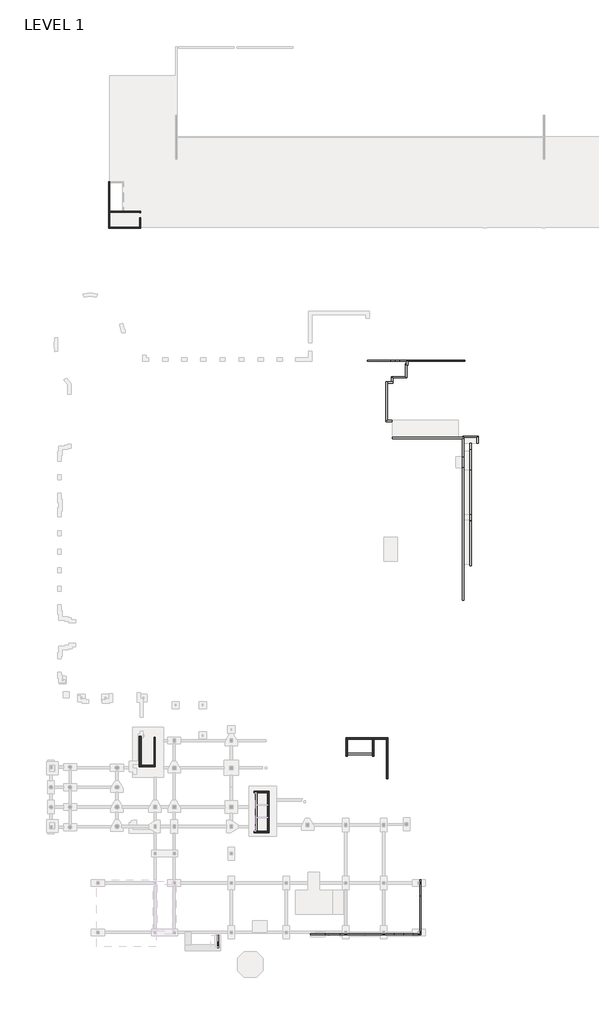
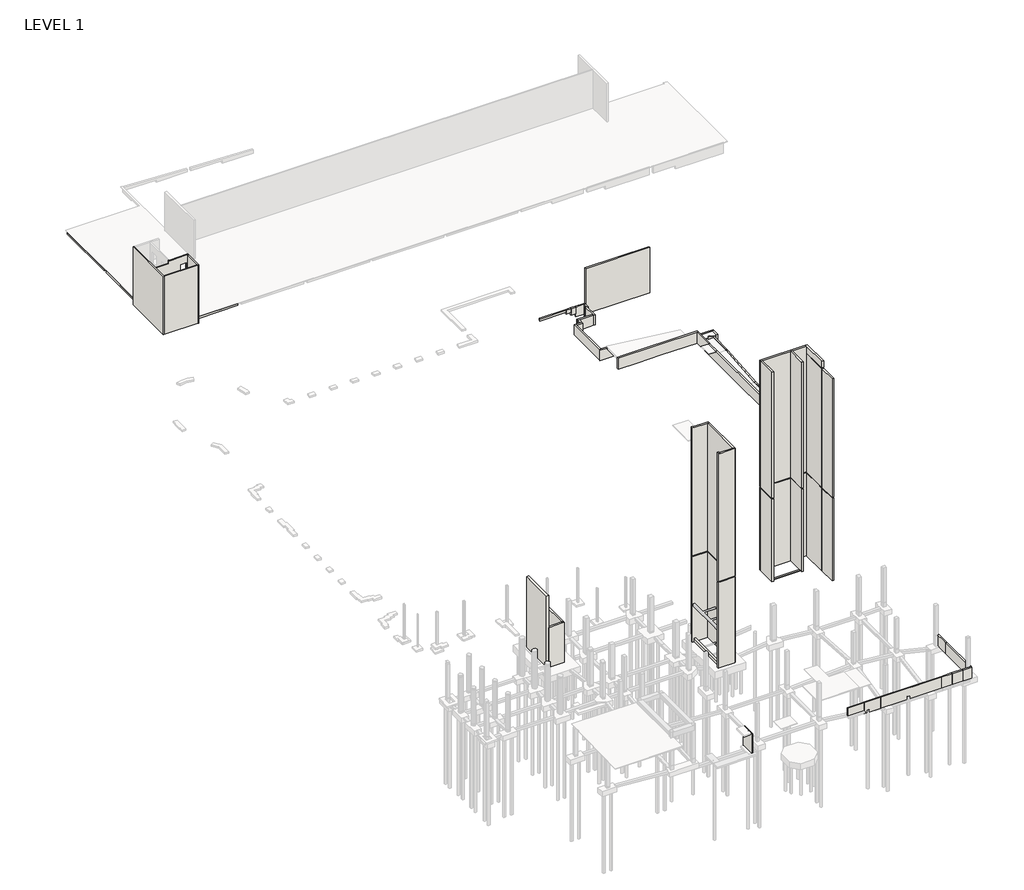
# One storey, part 1 of 20: 50 walls.
"""IFC4 building model written with IfcOpenShell, lengths in millimetres."""

from ifc_helpers import new_model, si_unit, frame, origin, place, context, project, spatial, polyline, outline, extrude, faceted_brep, element, save

model = new_model("IFC4")

# Units and contexts
model_context = context("Model", 3, world=origin())
ifc_project = project(units=[si_unit("LENGTHUNIT", "METRE", prefix="MILLI")], contexts=[model_context])

# Site, building, storey
site = spatial("IfcSite", under=ifc_project)
building = spatial("IfcBuilding", under=site)
storey = spatial("IfcBuildingStorey", under=building, Name="LEVEL 1", Elevation=0.0)

# Walls
placement = place(None, origin())
element("IfcWall", 1, ObjectType="10\" Concrete", at=placement, inside=storey, context=model_context, shape_type="SweptSolid", body=[
    extrude(outline(polyline([(57846.9940054, 63154.9642851), (53007.1389942, 63154.9642851), (53007.1389942, 63408.9642851), (57846.9940054, 63408.9642851), (57846.9940054, 63154.9642851)])), frame((0.0, 0.0, -609.6), z_axis=(0.0, 0.0, 1.0), x_axis=(1.0, 0.0, 0.0)), (0.0, 0.0, 1.0), 406.4),
])
element("IfcWall", 2, ObjectType="10\" Concrete", at=placement, inside=storey, context=model_context, shape_type="Brep", body=[
    faceted_brep([(61448.8079949, 63154.9642851, -2133.6), (73292.2139942, 63154.9642851, -2133.6), (73292.2139942, 63154.9642851, 6705.6), (61448.8079949, 63154.9642851, 6705.6), (61448.8079949, 63154.9642851, -203.2), (61448.8079949, 63408.9642851, -2133.6), (61448.8079949, 63408.9642851, -203.2), (61448.8079949, 63408.9642851, 6705.6), (73292.2139942, 63408.9642851, 6705.6), (73292.2139942, 63408.9642851, -2133.6)], [[[0, 1, 2, 3, 4]], [[5, 6, 7, 8, 9]], [[1, 0, 5, 9]], [[2, 1, 9, 8]], [[3, 2, 8, 7]], [[0, 4, 3, 7, 6, 5]]]),
])
element("IfcWall", 3, ObjectType="10\" Concrete", at=placement, inside=storey, context=model_context, shape_type="Brep", body=[
    faceted_brep([(59674.6389942, 63154.9642851, -2133.6), (61131.2030825, 63154.9642851, -2133.6), (61436.0030825, 63154.9642851, -2133.6), (61448.8079949, 63154.9642851, -2133.6), (61448.8079949, 63154.9642851, -203.2), (61436.0030825, 63154.9642851, -203.2), (61131.2030825, 63154.9642851, -203.2), (59674.6389942, 63154.9642851, -203.2), (59674.6389942, 63154.9642851, -1524.0), (59674.6389942, 63408.9642851, -2133.6), (59674.6389942, 63408.9642851, -1524.0), (59674.6389942, 63408.9642851, -203.2), (61448.8079949, 63408.9642851, -203.2), (61448.8079949, 63408.9642851, -2133.6)], [[[0, 1, 2, 3, 4, 5, 6, 7, 8]], [[9, 10, 11, 12, 13]], [[3, 2, 1, 0, 9, 13]], [[4, 3, 13, 12]], [[7, 6, 5, 4, 12, 11]], [[0, 8, 7, 11, 10, 9]]]),
])
element("IfcWall", 4, ObjectType="10\" Concrete", at=placement, inside=storey, context=model_context, shape_type="Brep", body=[
    faceted_brep([(58760.2389942, 63154.9642851, -1524.0), (59674.6389942, 63154.9642851, -1524.0), (59674.6389942, 63154.9642851, -203.2), (58760.2389942, 63154.9642851, -203.2), (58760.2389942, 63154.9642851, -914.4), (58760.2389942, 63408.9642851, -1524.0), (58760.2389942, 63408.9642851, -914.4), (58760.2389942, 63408.9642851, -203.2), (59674.6389942, 63408.9642851, -203.2), (59674.6389942, 63408.9642851, -1524.0)], [[[0, 1, 2, 3, 4]], [[5, 6, 7, 8, 9]], [[1, 0, 5, 9]], [[2, 1, 9, 8]], [[3, 2, 8, 7]], [[0, 4, 3, 7, 6, 5]]]),
])
element("IfcWall", 5, ObjectType="10\" Concrete", at=placement, inside=storey, context=model_context, shape_type="Brep", body=[
    faceted_brep([(57846.9940054, 63154.9642851, -914.4), (58760.2389942, 63154.9642851, -914.4), (58760.2389942, 63154.9642851, -203.2), (57846.9940054, 63154.9642851, -203.2), (57846.9940054, 63154.9642851, -609.6), (57846.9940054, 63408.9642851, -914.4), (57846.9940054, 63408.9642851, -609.6), (57846.9940054, 63408.9642851, -203.2), (58760.2389942, 63408.9642851, -203.2), (58760.2389942, 63408.9642851, -914.4)], [[[0, 1, 2, 3, 4]], [[5, 6, 7, 8, 9]], [[1, 0, 5, 9]], [[2, 1, 9, 8]], [[3, 2, 8, 7]], [[0, 4, 3, 7, 6, 5]]]),
])
element("IfcWall", 6, ObjectType="10\" Concrete", at=placement, inside=storey, context=model_context, shape_type="SweptSolid", body=[
    extrude(outline(polyline([(20696.5871043, -1828.8), (20696.5871043, -1549.1506484), (29942.1871043, -778.6839817), (29942.1871043, -1828.8), (20696.5871043, -1828.8)])), frame((74355.8389942, 0.0, 0.0), z_axis=(1.0, 0.0, 0.0), x_axis=(0.0, 1.0, 0.0)), (0.0, 0.0, 1.0), 254.0),
])
element("IfcWall", 7, ObjectType="10\" Concrete", at=placement, inside=storey, context=model_context, shape_type="SweptSolid", body=[
    extrude(outline(polyline([(29942.1871043, -1828.8), (29942.1871043, -778.6839817), (30142.394885, -762.0), (31364.5871043, -762.0), (31364.5871043, -1828.8), (29942.1871043, -1828.8)])), frame((74355.8389942, 0.0, 0.0), z_axis=(1.0, 0.0, 0.0), x_axis=(0.0, 1.0, 0.0)), (0.0, 0.0, 1.0), 254.0),
])
element("IfcWall", 8, ObjectType="10\" Concrete", at=placement, inside=storey, context=model_context, shape_type="Brep", body=[
    faceted_brep([(74609.8389942, 31364.5871043, -1828.8), (74609.8389942, 40508.5871043, -1828.8), (74609.8389942, 40508.5871043, 0.0), (74609.8389942, 40508.5871043, 0.2493516), (74609.8389942, 31364.5871043, -761.7506484), (74609.8389942, 31364.5871043, -762.0), (74355.8389942, 31364.5871043, -1828.8), (74355.8389942, 31364.5871043, -762.0), (74355.8389942, 31364.5871043, -761.7506484), (74355.8389942, 40508.5871043, 0.2493516), (74355.8389942, 40508.5871043, 0.0), (74355.8389942, 40508.5871043, -1828.8)], [[[0, 1, 2, 3, 4, 5]], [[6, 7, 8, 9, 10, 11]], [[1, 0, 6, 11]], [[3, 2, 1, 11, 10, 9]], [[4, 3, 9, 8]], [[0, 5, 4, 8, 7, 6]]]),
])
element("IfcWall", 9, ObjectType="10\" Concrete", at=placement, inside=storey, context=model_context, shape_type="Brep", body=[
    faceted_brep([(72889.1082498, 47365.7078896, -2133.6), (75829.0389942, 47365.7078896, -2133.6), (76083.0389942, 47365.7078896, -2133.6), (76083.0389942, 47365.7078896, -914.4), (75829.0389942, 47365.7078896, -914.4), (72889.1082498, 47365.7078896, -914.4), (72889.1082498, 47619.7078896, -2133.6), (72889.1082498, 47619.7078896, -914.4), (76083.0389942, 47619.7078896, -914.4), (76083.0389942, 47619.7078896, -2133.6)], [[[0, 1, 2, 3, 4, 5]], [[6, 7, 8, 9]], [[2, 1, 0, 6, 9]], [[5, 4, 3, 8, 7]], [[0, 5, 7, 6]], [[3, 2, 9, 8]]]),
])
element("IfcWall", 10, ObjectType="10\" Concrete", at=placement, inside=storey, context=model_context, shape_type="SweptSolid", body=[
    extrude(outline(polyline([(75829.0389942, 46146.5078896), (75829.0389942, 47365.7078896), (76083.0389942, 47365.7078896), (76083.0389942, 46146.5078896), (75829.0389942, 46146.5078896)])), frame((0.0, 0.0, -2133.6), z_axis=(0.0, 0.0, 1.0), x_axis=(1.0, 0.0, 0.0)), (0.0, 0.0, 1.0), 1219.2),
])
element("IfcWall", 11, ObjectType="10\" Concrete", at=placement, inside=storey, context=model_context, shape_type="Brep", body=[
    faceted_brep([(74609.8389942, 40508.5871043, -2133.6), (74609.8389942, 46146.5078896, -2133.6), (74609.8389942, 46146.5078896, -762.0), (74609.8389942, 44749.5078896, 0.0), (74609.8389942, 40508.5871043, 0.0), (74609.8389942, 40508.5871043, -1828.8), (74355.8389942, 40508.5871043, -2133.6), (74355.8389942, 40508.5871043, -1828.8), (74355.8389942, 40508.5871043, 0.0), (74355.8389942, 44749.5078896, 0.0), (74355.8389942, 46146.5078896, -762.0), (74355.8389942, 46146.5078896, -2133.6)], [[[0, 1, 2, 3, 4, 5]], [[6, 7, 8, 9, 10, 11]], [[1, 0, 6, 11]], [[2, 1, 11, 10]], [[4, 3, 9, 8]], [[0, 5, 4, 8, 7, 6]], [[3, 2, 10, 9]]]),
])
element("IfcWall", 12, ObjectType="12\" CMU", at=placement, inside=storey, context=model_context, shape_type="SweptSolid", body=[
    extrude(outline(polyline([(48846.3014942, -18286.9607149), (54078.7014942, -18286.9607149), (54078.7014942, -18582.2357149), (48846.3014942, -18582.2357149), (48846.3014942, -18286.9607149)])), frame((0.0, 0.0, -304.8), z_axis=(0.0, 0.0, 1.0), x_axis=(1.0, 0.0, 0.0)), (0.0, 0.0, 1.0), 101.6),
])
element("IfcWall", 13, ObjectType="12\" CMU", at=placement, inside=storey, context=model_context, shape_type="SweptSolid", body=[
    extrude(outline(polyline([(30058.2389942, -26472.1107149), (30058.2389942, -34485.8107149), (29762.9639942, -34485.8107149), (29762.9639942, -26472.1107149), (30058.2389942, -26472.1107149)])), frame((0.0, 0.0, -914.4), z_axis=(0.0, 0.0, 1.0), x_axis=(1.0, 0.0, 0.0)), (0.0, 0.0, 1.0), 711.2),
])
element("IfcWall", 14, ObjectType="12\" Concrete", at=placement, inside=storey, context=model_context, shape_type="SweptSolid", body=[
    extrude(outline(polyline([(57329.9014942, -20302.1378382), (57329.9014942, -23538.4107149), (57025.1014942, -23538.4107149), (57025.1014942, -20302.1378382), (57329.9014942, -20302.1378382)])), frame((0.0, 0.0, -304.8), z_axis=(0.0, 0.0, 1.0), x_axis=(1.0, 0.0, 0.0)), (0.0, 0.0, 1.0), 16179.8),
    extrude(outline(polyline([(57329.9014942, -20302.1378382), (57329.9014942, -23538.4107149), (57025.1014942, -23538.4107149), (57025.1014942, -20302.1378382), (57329.9014942, -20302.1378382)])), frame((0.0, 0.0, 16052.8), z_axis=(0.0, 0.0, 1.0), x_axis=(1.0, 0.0, 0.0)), (0.0, 0.0, 1.0), 23190.2),
])
element("IfcWall", 15, ObjectType="12\" Concrete", at=placement, inside=storey, context=model_context, shape_type="Brep", body=[
    faceted_brep([(57025.1014942, -15029.4107149, -304.8), (48541.5014942, -15029.4107149, -304.8), (48541.5014942, -15029.4107149, 15875.0), (57025.1014942, -15029.4107149, 15875.0), (54632.1436817, -15029.4107149, 14909.8), (55637.0958142, -15029.4107149, 14909.8), (55637.0958142, -15029.4107149, 15468.6), (54632.1436817, -15029.4107149, 15468.6), (54632.1436817, -15029.4107149, 12065.0), (55637.0958142, -15029.4107149, 12065.0), (55637.0958142, -15029.4107149, 12623.8), (54632.1436817, -15029.4107149, 12623.8), (55637.0958142, -15029.4107149, 9220.2), (55637.0958142, -15029.4107149, 9779.0), (54632.1436817, -15029.4107149, 9779.0), (54632.1436817, -15029.4107149, 9220.2), (48541.5014942, -15334.2107149, -304.8), (48846.3014942, -15334.2107149, -304.8), (54078.7014942, -15334.2107149, -304.8), (54383.5014942, -15334.2107149, -304.8), (57025.1014942, -15334.2107149, -304.8), (57025.1014942, -15334.2107149, 15875.0), (54933.1413578, -15334.2107149, 15875.0), (54078.7014942, -15334.2107149, 15875.0), (48846.3014942, -15334.2107149, 15875.0), (48541.5014942, -15334.2107149, 15875.0), (55637.0958142, -15334.2107149, 14909.8), (54632.1436817, -15334.2107149, 14909.8), (54632.1436817, -15334.2107149, 15468.6), (55637.0958142, -15334.2107149, 15468.6), (55637.0958142, -15334.2107149, 12065.0), (54632.1436817, -15334.2107149, 12065.0), (54632.1436817, -15334.2107149, 12623.8), (55637.0958142, -15334.2107149, 12623.8), (55637.0958142, -15334.2107149, 9779.0), (55637.0958142, -15334.2107149, 9220.2), (54632.1436817, -15334.2107149, 9220.2), (54632.1436817, -15334.2107149, 9779.0), (48541.5014942, -15054.8107149, 15875.0)], [[[0, 1, 2, 3], [4, 5, 6, 7], [8, 9, 10, 11], [12, 13, 14, 15]], [[16, 17, 18, 19, 20, 21, 22, 23, 24, 25], [26, 27, 28, 29], [30, 31, 32, 33], [34, 35, 36, 37]], [[0, 3, 21, 20]], [[3, 2, 38, 25, 24, 23, 22, 21]], [[2, 1, 16, 25, 38]], [[1, 0, 20, 19, 18, 17, 16]], [[5, 4, 27, 26]], [[6, 5, 26, 29]], [[7, 6, 29, 28]], [[4, 7, 28, 27]], [[9, 8, 31, 30]], [[10, 9, 30, 33]], [[11, 10, 33, 32]], [[8, 11, 32, 31]], [[13, 12, 35, 34]], [[14, 13, 34, 37]], [[15, 14, 37, 36]], [[12, 15, 36, 35]]]),
    faceted_brep([(57025.1014942, -15029.4107149, 16052.8), (48541.5014942, -15029.4107149, 16052.8), (48541.5014942, -15029.4107149, 40697.15), (57025.1014942, -15029.4107149, 40697.15), (57025.1014942, -15029.4107149, 39420.8), (57025.1014942, -15029.4107149, 39243.0), (54632.1436817, -15029.4107149, 38277.8), (55637.0958142, -15029.4107149, 38277.8), (55637.0958142, -15029.4107149, 38836.6), (54632.1436817, -15029.4107149, 38836.6), (54632.1436817, -15029.4107149, 34823.4), (55637.0958142, -15029.4107149, 34823.4), (55637.0958142, -15029.4107149, 35382.2), (54632.1436817, -15029.4107149, 35382.2), (54632.1436817, -15029.4107149, 31978.6), (55637.0958142, -15029.4107149, 31978.6), (55637.0958142, -15029.4107149, 32537.4), (54632.1436817, -15029.4107149, 32537.4), (54632.1436817, -15029.4107149, 29133.8), (55637.0958142, -15029.4107149, 29133.8), (55637.0958142, -15029.4107149, 29692.6), (54632.1436817, -15029.4107149, 29692.6), (54632.1436817, -15029.4107149, 26289.0), (55637.0958142, -15029.4107149, 26289.0), (55637.0958142, -15029.4107149, 26847.8), (54632.1436817, -15029.4107149, 26847.8), (54632.1436817, -15029.4107149, 23444.2), (55637.0958142, -15029.4107149, 23444.2), (55637.0958142, -15029.4107149, 24003.0), (54632.1436817, -15029.4107149, 24003.0), (54632.1436817, -15029.4107149, 20599.4), (55637.0958142, -15029.4107149, 20599.4), (55637.0958142, -15029.4107149, 21158.2), (54632.1436817, -15029.4107149, 21158.2), (54632.1436817, -15029.4107149, 17754.6), (55637.0958142, -15029.4107149, 17754.6), (55637.0958142, -15029.4107149, 18313.4), (54632.1436817, -15029.4107149, 18313.4), (54933.1413578, -15334.2107149, 16052.8), (57025.1014942, -15334.2107149, 16052.8), (57025.1014942, -15334.2107149, 40697.15), (48846.3014942, -15334.2107149, 40697.15), (48541.5014942, -15334.2107149, 40697.15), (48541.5014942, -15334.2107149, 16052.8), (48846.3014942, -15334.2107149, 16052.8), (54078.7014942, -15334.2107149, 16052.8), (55637.0958142, -15334.2107149, 38277.8), (54632.1436817, -15334.2107149, 38277.8), (54632.1436817, -15334.2107149, 38836.6), (55637.0958142, -15334.2107149, 38836.6), (55637.0958142, -15334.2107149, 34823.4), (54632.1436817, -15334.2107149, 34823.4), (54632.1436817, -15334.2107149, 35382.2), (55637.0958142, -15334.2107149, 35382.2), (55637.0958142, -15334.2107149, 31978.6), (54632.1436817, -15334.2107149, 31978.6), (54632.1436817, -15334.2107149, 32537.4), (55637.0958142, -15334.2107149, 32537.4), (55637.0958142, -15334.2107149, 29133.8), (54632.1436817, -15334.2107149, 29133.8), (54632.1436817, -15334.2107149, 29692.6), (55637.0958142, -15334.2107149, 29692.6), (55637.0958142, -15334.2107149, 26289.0), (54632.1436817, -15334.2107149, 26289.0), (54632.1436817, -15334.2107149, 26847.8), (55637.0958142, -15334.2107149, 26847.8), (55637.0958142, -15334.2107149, 23444.2), (54632.1436817, -15334.2107149, 23444.2), (54632.1436817, -15334.2107149, 24003.0), (55637.0958142, -15334.2107149, 24003.0), (55637.0958142, -15334.2107149, 20599.4), (54632.1436817, -15334.2107149, 20599.4), (54632.1436817, -15334.2107149, 21158.2), (55637.0958142, -15334.2107149, 21158.2), (55637.0958142, -15334.2107149, 17754.6), (54632.1436817, -15334.2107149, 17754.6), (54632.1436817, -15334.2107149, 18313.4), (55637.0958142, -15334.2107149, 18313.4), (48541.5014942, -15054.8107149, 16052.8)], [[[0, 1, 2, 3, 4, 5], [6, 7, 8, 9], [10, 11, 12, 13], [14, 15, 16, 17], [18, 19, 20, 21], [22, 23, 24, 25], [26, 27, 28, 29], [30, 31, 32, 33], [34, 35, 36, 37]], [[38, 39, 40, 41, 42, 43, 44, 45], [46, 47, 48, 49], [50, 51, 52, 53], [54, 55, 56, 57], [58, 59, 60, 61], [62, 63, 64, 65], [66, 67, 68, 69], [70, 71, 72, 73], [74, 75, 76, 77]], [[39, 0, 5, 4, 3, 40]], [[1, 0, 39, 38, 45, 44, 43, 78]], [[1, 78, 43, 42, 2]], [[7, 6, 47, 46]], [[8, 7, 46, 49]], [[9, 8, 49, 48]], [[6, 9, 48, 47]], [[11, 10, 51, 50]], [[12, 11, 50, 53]], [[13, 12, 53, 52]], [[10, 13, 52, 51]], [[15, 14, 55, 54]], [[16, 15, 54, 57]], [[17, 16, 57, 56]], [[14, 17, 56, 55]], [[19, 18, 59, 58]], [[20, 19, 58, 61]], [[21, 20, 61, 60]], [[18, 21, 60, 59]], [[23, 22, 63, 62]], [[24, 23, 62, 65]], [[25, 24, 65, 64]], [[22, 25, 64, 63]], [[27, 26, 67, 66]], [[28, 27, 66, 69]], [[29, 28, 69, 68]], [[26, 29, 68, 67]], [[31, 30, 71, 70]], [[32, 31, 70, 73]], [[33, 32, 73, 72]], [[30, 33, 72, 71]], [[35, 34, 75, 74]], [[36, 35, 74, 77]], [[37, 36, 77, 76]], [[34, 37, 76, 75]], [[3, 2, 42, 41, 40]]]),
])
element("IfcWall", 16, ObjectType="12\" Concrete", at=placement, inside=storey, context=model_context, shape_type="Brep", body=[
    faceted_brep([(48541.5014942, -15334.2107149, -304.8), (48541.5014942, -18941.0107149, -304.8), (48541.5014942, -18941.0107149, 15875.0), (48541.5014942, -15334.2107149, 15875.0), (48846.3014942, -18941.0107149, -304.8), (48846.3014942, -18582.2357149, -304.8), (48846.3014942, -18286.9607149, -304.8), (48846.3014942, -15334.2107149, -304.8), (48846.3014942, -15334.2107149, 15875.0), (48846.3014942, -18511.7121146, 15875.0), (48846.3014942, -18816.5121146, 15875.0), (48846.3014942, -18941.0107149, 15875.0)], [[[0, 1, 2, 3]], [[4, 5, 6, 7, 8, 9, 10, 11]], [[1, 0, 7, 6, 5, 4]], [[3, 2, 11, 10, 9, 8]], [[7, 0, 3, 8]], [[1, 4, 11, 2]]]),
    faceted_brep([(48541.5014942, -15334.2107149, 16052.8), (48541.5014942, -18941.0107149, 16052.8), (48541.5014942, -18941.0107149, 40697.15), (48541.5014942, -15334.2107149, 40697.15), (48846.3014942, -18511.7121146, 16052.8), (48846.3014942, -15334.2107149, 16052.8), (48846.3014942, -15334.2107149, 40697.15), (48846.3014942, -18636.2107149, 40697.15), (48846.3014942, -18941.0107149, 40697.15), (48846.3014942, -18941.0107149, 39420.8), (48846.3014942, -18941.0107149, 16052.8)], [[[0, 1, 2, 3]], [[4, 5, 6, 7, 8, 9, 10]], [[1, 0, 5, 4, 10]], [[5, 0, 3, 6]], [[3, 2, 8, 7, 6]], [[1, 10, 9, 8, 2]]]),
])
element("IfcWall", 17, ObjectType="12\" Concrete", at=placement, inside=storey, context=model_context, shape_type="Brep", body=[
    faceted_brep([(54078.7014942, -18511.7121146, 16052.8), (54078.7014942, -18941.0107149, 16052.8), (54078.7014942, -18941.0107149, 39420.8), (54078.7014942, -18941.0107149, 40697.15), (54078.7014942, -18636.2107149, 40697.15), (54078.7014942, -15334.2107149, 40697.15), (54078.7014942, -15334.2107149, 16052.8), (54383.5014942, -18941.0107149, 16052.8), (54383.5014942, -15334.2107149, 16052.8), (54383.5014942, -15334.2107149, 40697.15), (54383.5014942, -18941.0107149, 40697.15), (54383.5014942, -18941.0107149, 35788.6), (54383.5014942, -18941.0107149, 35610.8), (54383.5014942, -18941.0107149, 32943.8), (54383.5014942, -18941.0107149, 32766.0), (54383.5014942, -18941.0107149, 30099.0), (54383.5014942, -18941.0107149, 29921.2), (54383.5014942, -18941.0107149, 27254.2), (54383.5014942, -18941.0107149, 27076.4), (54383.5014942, -18941.0107149, 24409.4), (54383.5014942, -18941.0107149, 24231.6), (54383.5014942, -18941.0107149, 21564.6), (54383.5014942, -18941.0107149, 21386.8), (54383.5014942, -18941.0107149, 18719.8), (54383.5014942, -18941.0107149, 18542.0)], [[[0, 1, 2, 3, 4, 5, 6]], [[7, 8, 9, 10, 11, 12, 13, 14, 15, 16, 17, 18, 19, 20, 21, 22, 23, 24]], [[8, 6, 5, 9]], [[1, 0, 6, 8, 7]], [[5, 4, 3, 10, 9]], [[1, 7, 24, 23, 22, 21, 20, 19, 18, 17, 16, 15, 14, 13, 12, 11, 10, 3, 2]]]),
    faceted_brep([(54078.7014942, -15334.2107149, -304.8), (54078.7014942, -18286.9607149, -304.8), (54078.7014942, -18582.2357149, -304.8), (54078.7014942, -18941.0107149, -304.8), (54078.7014942, -18941.0107149, 15875.0), (54078.7014942, -18816.5121146, 15875.0), (54078.7014942, -18511.7121146, 15875.0), (54078.7014942, -15334.2107149, 15875.0), (54383.5014942, -18941.0107149, -304.8), (54383.5014942, -15334.2107149, -304.8), (54383.5014942, -15334.2107149, 15875.0), (54383.5014942, -18512.1751747, 15875.0), (54383.5014942, -18941.0107149, 15875.0), (54383.5014942, -18941.0107149, 15697.2), (54383.5014942, -18941.0107149, 13030.2), (54383.5014942, -18941.0107149, 12852.4), (54383.5014942, -18941.0107149, 10185.4), (54383.5014942, -18941.0107149, 10007.6), (54383.5014942, -18941.0107149, 6731.0), (54383.5014942, -18941.0107149, 6553.2), (54080.2889942, -18941.0107149, 15875.0)], [[[0, 1, 2, 3, 4, 5, 6, 7]], [[8, 9, 10, 11, 12, 13, 14, 15, 16, 17, 18, 19]], [[3, 2, 1, 0, 9, 8]], [[9, 0, 7, 10]], [[6, 5, 4, 20, 12, 11, 10, 7]], [[3, 8, 19, 18, 17, 16, 15, 14, 13, 12, 20, 4]]]),
])
element("IfcWall", 18, ObjectType="12\" Concrete", at=placement, inside=storey, context=model_context, shape_type="Brep", body=[
    faceted_brep([(32604.5889942, -26167.3107149, -914.4), (29454.9889942, -26167.3107149, -914.4), (29454.9889942, -26167.3107149, 41128.95), (29762.9639942, -26167.3107149, 41128.95), (29762.9639942, -26167.3107149, 41001.95), (32604.5889942, -26167.3107149, 41001.95), (29454.9889942, -26472.1107149, 16052.8), (32299.7889942, -26472.1107149, 16052.8), (32604.5889942, -26472.1107149, 16052.8), (32604.5889942, -26472.1107149, 41001.95), (32299.7889942, -26472.1107149, 41001.95), (29762.9639942, -26472.1107149, 41001.95), (29762.9639942, -26472.1107149, 41128.95), (29759.7889942, -26472.1107149, 41128.95), (29454.9889942, -26472.1107149, 41128.95), (29454.9889942, -26472.1107149, 39420.8), (29454.9889942, -26472.1107149, -914.4), (29762.9639942, -26472.1107149, -914.4), (30058.2389942, -26472.1107149, -914.4), (32299.7889942, -26472.1107149, -914.4), (32604.5889942, -26472.1107149, -914.4), (32604.5889942, -26472.1107149, 15875.0), (32299.7889942, -26472.1107149, 15875.0), (29454.9889942, -26472.1107149, 15875.0), (32604.5889942, -26182.4692077, 16052.8), (32604.5889942, -26182.4692077, 15875.0), (29454.9889942, -26182.4692077, 15875.0), (29454.9889942, -26182.4692077, 16052.8)], [[[0, 1, 2, 3, 4, 5]], [[6, 7, 8, 9, 10, 11, 12, 13, 14, 15]], [[16, 17, 18, 19, 20, 21, 22, 23]], [[1, 0, 20, 19, 18, 17, 16]], [[2, 14, 13, 12, 3]], [[20, 0, 5, 9, 8, 24, 25, 21]], [[23, 22, 21, 25, 26]], [[8, 7, 6, 27, 24]], [[25, 24, 27, 26]], [[4, 11, 10, 9, 5]], [[11, 4, 3, 12]], [[2, 1, 16, 23, 26, 27, 6, 15, 14]]]),
])
element("IfcWall", 19, ObjectType="12\" Concrete", at=placement, inside=storey, context=model_context, shape_type="Brep", body=[
    faceted_brep([(32299.7889942, -26472.1107149, -914.4), (32299.7889942, -34485.8107149, -914.4), (32299.7889942, -34485.8107149, 15875.0), (32299.7889942, -34181.7272222, 15875.0), (32299.7889942, -26487.2692077, 15875.0), (32299.7889942, -26472.1107149, 15875.0), (32604.5889942, -34790.6107149, -914.4), (32604.5889942, -26472.1107149, -914.4), (32604.5889942, -26472.1107149, 15875.0), (32604.5889942, -33774.6107149, 15875.0), (32604.5889942, -34790.6107149, 15875.0)], [[[0, 1, 2, 3, 4, 5]], [[6, 7, 8, 9, 10]], [[1, 0, 7, 6]], [[7, 0, 5, 8]], [[1, 6, 10, 2]], [[3, 2, 10, 9, 8, 5, 4]]]),
    faceted_brep([(32299.7889942, -34181.7272222, 16052.8), (32299.7889942, -34485.8107149, 16052.8), (32299.7889942, -34485.8107149, 41001.95), (32299.7889942, -26472.1107149, 41001.95), (32299.7889942, -26472.1107149, 16052.8), (32299.7889942, -26487.2692077, 16052.8), (32604.5889942, -33774.6107149, 16052.8), (32604.5889942, -26472.1107149, 16052.8), (32604.5889942, -26472.1107149, 41001.95), (32604.5889942, -34790.6107149, 41001.95), (32604.5889942, -34790.6107149, 16052.8)], [[[0, 1, 2, 3, 4, 5]], [[6, 7, 8, 9, 10]], [[7, 4, 3, 8]], [[1, 10, 9, 2]], [[1, 0, 5, 4, 7, 6, 10]], [[3, 2, 9, 8]]]),
])
element("IfcWall", 20, ObjectType="12\" Concrete", at=placement, inside=storey, context=model_context, shape_type="Brep", body=[
    faceted_brep([(32299.7889942, -34485.8107149, 16052.8), (29454.9889942, -34485.8107149, 16052.8), (29454.9889942, -34485.8107149, 39420.8), (29454.9889942, -34485.8107149, 41128.95), (29759.7889942, -34485.8107149, 41128.95), (29762.9639942, -34485.8107149, 41128.95), (29762.9639942, -34485.8107149, 41001.95), (32299.7889942, -34485.8107149, 41001.95), (29915.3639942, -34790.6107149, 16052.8), (32604.5889942, -34790.6107149, 16052.8), (32604.5889942, -34790.6107149, 41001.95), (29762.9639942, -34790.6107149, 41001.95), (29762.9639942, -34790.6107149, 41128.95), (29454.9889942, -34790.6107149, 41128.95), (29454.9889942, -34790.6107149, 16052.8)], [[[0, 1, 2, 3, 4, 5, 6, 7]], [[8, 9, 10, 11, 12, 13, 14]], [[3, 13, 12, 5, 4]], [[9, 0, 7, 10]], [[1, 0, 9, 8, 14]], [[6, 11, 10, 7]], [[11, 6, 5, 12]], [[13, 3, 2, 1, 14]]]),
    faceted_brep([(32299.7889942, -34485.8107149, -914.4), (30058.2389942, -34485.8107149, -914.4), (29762.9639942, -34485.8107149, -914.4), (29454.9889942, -34485.8107149, -914.4), (29454.9889942, -34485.8107149, 6146.8), (29454.9889942, -34485.8107149, 6553.2), (29454.9889942, -34485.8107149, 15875.0), (32299.7889942, -34485.8107149, 15875.0), (29454.9889942, -34790.6107149, -914.4), (32604.5889942, -34790.6107149, -914.4), (32604.5889942, -34790.6107149, 15875.0), (29915.3639942, -34790.6107149, 15875.0), (29454.9889942, -34790.6107149, 15875.0), (29454.9889942, -34790.6107149, 6553.2), (29454.9889942, -34790.6107149, 6146.8)], [[[0, 1, 2, 3, 4, 5, 6, 7]], [[8, 9, 10, 11, 12, 13, 14]], [[3, 2, 1, 0, 9, 8]], [[9, 0, 7, 10]], [[7, 6, 12, 11, 10]], [[3, 8, 14, 13, 12, 6, 5, 4]]]),
])
element("IfcWall", 21, ObjectType="12\" Concrete", at=placement, inside=storey, context=model_context, shape_type="Brep", body=[
    faceted_brep([(71776.9780825, 50948.0007881, -2133.6), (57194.2030825, 50948.0007881, -2133.6), (56889.4030825, 50948.0007881, -2133.6), (56889.4030825, 50948.0007881, -127.0), (57194.2030825, 50948.0007881, -127.0), (58213.3780825, 50948.0007881, -127.0), (58213.3780825, 50948.0007881, -306.67571), (71776.9780825, 50948.0007881, -1813.7423767), (71776.9780825, 50643.2007881, -2133.6), (71776.9780825, 50643.2007881, -1813.7423767), (58213.3780825, 50643.2007881, -306.67571), (58213.3780825, 50643.2007881, -127.0), (56889.4030825, 50643.2007881, -127.0), (56889.4030825, 50643.2007881, -2133.6)], [[[0, 1, 2, 3, 4, 5, 6, 7]], [[8, 9, 10, 11, 12, 13]], [[2, 1, 0, 8, 13]], [[0, 7, 9, 8]], [[3, 2, 13, 12]], [[5, 4, 3, 12, 11]], [[5, 11, 10, 6]], [[7, 6, 10, 9]]]),
])
element("IfcWall", 22, ObjectType="12\" Concrete", at=placement, inside=storey, context=model_context, shape_type="Brep", body=[
    faceted_brep([(57194.2030825, 50948.0007881, -2133.6), (57194.2030825, 58636.9392851, -2133.6), (57194.2030825, 58941.7392851, -2133.6), (57194.2030825, 58941.7392851, -127.0), (57194.2030825, 58636.9392851, -127.0), (57194.2030825, 50948.0007881, -127.0), (56889.4030825, 50948.0007881, -2133.6), (56889.4030825, 50948.0007881, -127.0), (56889.4030825, 58941.7392851, -127.0), (56889.4030825, 58941.7392851, -2133.6)], [[[0, 1, 2, 3, 4, 5]], [[6, 7, 8, 9]], [[2, 1, 0, 6, 9]], [[5, 4, 3, 8, 7]], [[0, 5, 7, 6]], [[3, 2, 9, 8]]]),
])
element("IfcWall", 23, ObjectType="12\" Concrete", at=placement, inside=storey, context=model_context, shape_type="Brep", body=[
    faceted_brep([(57194.2030825, 58636.9392851, -2133.6), (58337.2030825, 58636.9392851, -2133.6), (58337.2030825, 58636.9392851, -127.0), (57194.2030825, 58636.9392851, -127.0), (57194.2030825, 58941.7392851, -2133.6), (57194.2030825, 58941.7392851, -127.0), (58032.4030825, 58941.7392851, -127.0), (58337.2030825, 58941.7392851, -127.0), (58337.2030825, 58941.7392851, -2133.6), (58032.4030825, 58941.7392851, -2133.6)], [[[0, 1, 2, 3]], [[4, 5, 6, 7, 8, 9]], [[1, 0, 4, 9, 8]], [[3, 2, 7, 6, 5]], [[0, 3, 5, 4]], [[2, 1, 8, 7]]]),
])
element("IfcWall", 24, ObjectType="12\" Concrete", at=placement, inside=storey, context=model_context, shape_type="SweptSolid", body=[
    extrude(outline(polyline([(58337.2030825, 59703.7392851), (58337.2030825, 58941.7392851), (58032.4030825, 58941.7392851), (58032.4030825, 59703.7392851), (58337.2030825, 59703.7392851)])), frame((0.0, 0.0, -2133.6), z_axis=(0.0, 0.0, 1.0), x_axis=(1.0, 0.0, 0.0)), (0.0, 0.0, 1.0), 2006.6),
])
element("IfcWall", 25, ObjectType="12\" Concrete", at=placement, inside=storey, context=model_context, shape_type="Brep", body=[
    faceted_brep([(61131.2030825, 63154.9642851, -2133.6), (61131.2030825, 62622.5064103, -2133.6), (61131.2030825, 62317.7064103, -2133.6), (61131.2030825, 62317.7064103, -203.2), (61131.2030825, 62622.5064103, -203.2), (61131.2030825, 63154.9642851, -203.2), (61436.0030825, 63154.9642851, -2133.6), (61436.0030825, 63154.9642851, -203.2), (61436.0030825, 62317.7064103, -203.2), (61436.0030825, 62317.7064103, -2133.6), (61220.8639942, 62317.7064103, -2133.6)], [[[0, 1, 2, 3, 4, 5]], [[6, 7, 8, 9]], [[2, 1, 0, 6, 9, 10]], [[5, 4, 3, 8, 7]], [[3, 2, 10, 9, 8]], [[0, 5, 7, 6]]]),
])
element("IfcWall", 26, ObjectType="12\" Concrete", at=placement, inside=storey, context=model_context, shape_type="SweptSolid", body=[
    extrude(outline(polyline([(60916.0639942, 62622.5064103), (61131.2030825, 62622.5064103), (61131.2030825, 62317.7064103), (60916.0639942, 62317.7064103), (60916.0639942, 62622.5064103)])), frame((0.0, 0.0, -2133.6), z_axis=(0.0, 0.0, 1.0), x_axis=(1.0, 0.0, 0.0)), (0.0, 0.0, 1.0), 1930.4),
])
element("IfcWall", 27, ObjectType="12\" Concrete", at=placement, inside=storey, context=model_context, shape_type="Brep", body=[
    faceted_brep([(60916.0639942, 62317.7064103, -2133.6), (60916.0639942, 60008.5392851, -2133.6), (60916.0639942, 59703.7392851, -2133.6), (60916.0639942, 59703.7392851, -127.0), (60916.0639942, 60008.5392851, -127.0), (60916.0639942, 62317.7064103, -127.0), (60916.0639942, 62317.7064103, -203.2), (61220.8639942, 62317.7064103, -2133.6), (61220.8639942, 62317.7064103, -127.0), (61220.8639942, 59703.7392851, -127.0), (61220.8639942, 59703.7392851, -2133.6), (61131.2030825, 62317.7064103, -2133.6)], [[[0, 1, 2, 3, 4, 5, 6]], [[7, 8, 9, 10]], [[2, 1, 0, 11, 7, 10]], [[5, 4, 3, 9, 8]], [[0, 6, 5, 8, 7, 11]], [[3, 2, 10, 9]]]),
])
element("IfcWall", 28, ObjectType="12\" Concrete", at=placement, inside=storey, context=model_context, shape_type="Brep", body=[
    faceted_brep([(58032.4030825, 59703.7392851, -2133.6), (58337.2030825, 59703.7392851, -2133.6), (60916.0639942, 59703.7392851, -2133.6), (60916.0639942, 59703.7392851, -127.0), (58337.2030825, 59703.7392851, -127.0), (58032.4030825, 59703.7392851, -127.0), (58032.4030825, 60008.5392851, -2133.6), (58032.4030825, 60008.5392851, -127.0), (60916.0639942, 60008.5392851, -127.0), (60916.0639942, 60008.5392851, -2133.6)], [[[0, 1, 2, 3, 4, 5]], [[6, 7, 8, 9]], [[2, 1, 0, 6, 9]], [[5, 4, 3, 8, 7]], [[3, 2, 9, 8]], [[0, 5, 7, 6]]]),
])
element("IfcWall", 29, ObjectType="12\" Concrete", at=placement, inside=storey, context=model_context, shape_type="Brep", body=[
    faceted_brep([(5979.0389942, -21036.5107149, -914.4), (8925.4389942, -21036.5107149, -914.4), (8925.4389942, -21036.5107149, 6908.8), (8620.6389942, -21036.5107149, 6908.8), (5979.0389942, -21036.5107149, 6908.8), (5979.0389942, -20731.7107149, -914.4), (5979.0389942, -20731.7107149, 6908.8), (8620.6389942, -20731.7107149, 6908.8), (8925.4389942, -20731.7107149, 6908.8), (8925.4389942, -20731.7107149, -914.4), (8620.6389942, -20731.7107149, -914.4)], [[[0, 1, 2, 3, 4]], [[5, 6, 7, 8, 9, 10]], [[1, 0, 5, 10, 9]], [[4, 3, 2, 8, 7, 6]], [[0, 4, 6, 5]], [[2, 1, 9, 8]]]),
])
element("IfcWall", 30, ObjectType="12\" Concrete", at=placement, inside=storey, context=model_context, shape_type="SweptSolid", body=[
    extrude(outline(polyline([(13141.8389942, 90977.4740607), (5826.6389942, 90977.4740607), (5826.6389942, 91282.2740607), (13141.8389942, 91282.2740607), (13141.8389942, 90977.4740607)])), frame((0.0, 0.0, -457.2), z_axis=(0.0, 0.0, 1.0), x_axis=(1.0, 0.0, 0.0)), (0.0, 0.0, 1.0), 330.2),
])
element("IfcWall", 31, ObjectType="12\" Concrete", at=placement, inside=storey, context=model_context, shape_type="SweptSolid", body=[
    extrude(outline(polyline([(-574.1610058, 110078.2740607), (-574.1610058, 121863.8740607), (-269.3610058, 121863.8740607), (-269.3610058, 110078.2740607), (-574.1610058, 110078.2740607)])), frame((0.0, 0.0, -457.2), z_axis=(0.0, 0.0, 1.0), x_axis=(1.0, 0.0, 0.0)), (0.0, 0.0, 1.0), 330.2),
])
element("IfcWall", 32, ObjectType="12\" Concrete", at=placement, inside=storey, context=model_context, shape_type="SweptSolid", body=[
    extrude(outline(polyline([(-574.1610058, 100426.2740607), (-574.1610058, 109468.6740607), (-269.3610058, 109468.6740607), (-269.3610058, 100426.2740607), (-574.1610058, 100426.2740607)])), frame((0.0, 0.0, -457.2), z_axis=(0.0, 0.0, 1.0), x_axis=(1.0, 0.0, 0.0)), (0.0, 0.0, 1.0), 330.2),
])
element("IfcWall", 33, ObjectType="12\" Concrete", at=placement, inside=storey, context=model_context, shape_type="Brep", body=[
    faceted_brep([(73041.5082498, 47406.9828896, -2133.6), (58213.3780825, 47406.9828896, -2133.6), (58213.3780825, 47406.9828896, 0.0), (73041.5082498, 47406.9828896, 0.0), (73041.5082498, 47102.1828896, -2133.6), (73041.5082498, 47102.1828896, 0.0), (72812.9082498, 47102.1828896, 0.0), (58213.3780825, 47102.1828896, 0.0), (58213.3780825, 47102.1828896, -2133.6), (61655.8389942, 47102.1828896, -2133.6), (66227.8389942, 47102.1828896, -2133.6), (72812.9082498, 47102.1828896, -2133.6)], [[[0, 1, 2, 3]], [[4, 5, 6, 7, 8, 9, 10, 11]], [[1, 0, 4, 11, 10, 9, 8]], [[2, 1, 8, 7]], [[3, 2, 7, 6, 5]], [[0, 3, 5, 4]]]),
])
element("IfcWall", 34, ObjectType="12\" Concrete", at=placement, inside=storey, context=model_context, shape_type="SweptSolid", body=[
    extrude(outline(polyline([(8925.4389942, -14991.3107149), (8925.4389942, -20731.7107149), (8620.6389942, -20731.7107149), (8620.6389942, -14991.3107149), (8925.4389942, -14991.3107149)])), frame((0.0, 0.0, -914.4), z_axis=(0.0, 0.0, 1.0), x_axis=(1.0, 0.0, 0.0)), (0.0, 0.0, 1.0), 7823.2),
])
element("IfcWall", 35, ObjectType="12\" Concrete", at=placement, inside=storey, context=model_context, shape_type="Brep", body=[
    faceted_brep([(57329.9014942, -20302.1378382, -304.8), (57329.9014942, -15029.4107149, -304.8), (57329.9014942, -15029.4107149, 15875.0), (57329.9014942, -20302.1378382, 15875.0), (57025.1014942, -15029.4107149, -304.8), (57025.1014942, -15334.2107149, -304.8), (57025.1014942, -20302.1378382, -304.8), (57025.1014942, -20302.1378382, 15875.0), (57025.1014942, -18744.1607149, 15875.0), (57025.1014942, -15334.2107149, 15875.0), (57025.1014942, -15029.4107149, 15875.0)], [[[0, 1, 2, 3]], [[4, 5, 6, 7, 8, 9, 10]], [[1, 0, 6, 5, 4]], [[6, 0, 3, 7]], [[1, 4, 10, 2]], [[3, 2, 10, 9, 8, 7]]]),
    faceted_brep([(57329.9014942, -20302.1378382, 16052.8), (57329.9014942, -15029.4107149, 16052.8), (57329.9014942, -15029.4107149, 39243.0), (57329.9014942, -20302.1378382, 39243.0), (57025.1014942, -15029.4107149, 16052.8), (57025.1014942, -15334.2107149, 16052.8), (57025.1014942, -18744.1607149, 16052.8), (57025.1014942, -20302.1378382, 16052.8), (57025.1014942, -20302.1378382, 39243.0), (57025.1014942, -18744.1607149, 39243.0), (57025.1014942, -15334.2107149, 39243.0), (57025.1014942, -15029.4107149, 39243.0)], [[[0, 1, 2, 3]], [[4, 5, 6, 7, 8, 9, 10, 11]], [[7, 0, 3, 8]], [[1, 4, 11, 2]], [[1, 0, 7, 6, 5, 4]], [[3, 2, 11, 10, 9, 8]]]),
    faceted_brep([(57329.9014942, -20302.1378382, 39420.8), (57329.9014942, -15029.4107149, 39420.8), (57329.9014942, -15029.4107149, 40697.15), (57329.9014942, -20302.1378382, 40697.15), (57025.1014942, -15029.4107149, 39420.8), (57025.1014942, -15334.2107149, 39420.8), (57025.1014942, -18744.1607149, 39420.8), (57025.1014942, -20302.1378382, 39420.8), (57025.1014942, -20302.1378382, 40697.15), (57025.1014942, -15334.2107149, 40697.15), (57025.1014942, -15029.4107149, 40697.15)], [[[0, 1, 2, 3]], [[4, 5, 6, 7, 8, 9, 10]], [[7, 0, 3, 8]], [[1, 4, 10, 2]], [[1, 0, 7, 6, 5, 4]], [[3, 2, 10, 9, 8]]]),
])
element("IfcWall", 36, ObjectType="16\" Concrete", at=placement, inside=storey, context=model_context, shape_type="Brep", body=[
    faceted_brep([(5572.6389942, -14737.3107149, -914.4), (5572.6389942, -21036.5107149, -914.4), (5572.6389942, -21036.5107149, 13208.0), (5572.6389942, -14737.3107149, 13208.0), (5979.0389942, -14737.3107149, -914.4), (5979.0389942, -14737.3107149, 13208.0), (5979.0389942, -20731.7107149, 13208.0), (5979.0389942, -21036.5107149, 13208.0), (5979.0389942, -21036.5107149, 6908.8), (5979.0389942, -21036.5107149, -914.4), (5979.0389942, -20731.7107149, -914.4)], [[[0, 1, 2, 3]], [[4, 5, 6, 7, 8, 9, 10]], [[1, 0, 4, 10, 9]], [[3, 2, 7, 6, 5]], [[0, 3, 5, 4]], [[2, 1, 9, 8, 7]]]),
])
element("IfcWall", 37, ObjectType="8\" Concrete", at=placement, inside=storey, context=model_context, shape_type="SweptSolid", body=[
    extrude(outline(polyline([(22028.6639942, -56088.5107149), (22028.6639942, -58723.7454906), (21825.4639942, -58723.7454906), (21825.4639942, -56088.5107149), (22028.6639942, -56088.5107149)])), frame((0.0, 0.0, -406.4), z_axis=(0.0, 0.0, 1.0), x_axis=(1.0, 0.0, 0.0)), (0.0, 0.0, 1.0), 3759.2),
])
element("IfcWall", 38, ObjectType="8\" Concrete", at=placement, inside=storey, context=model_context, shape_type="SweptSolid", body=[
    extrude(outline(polyline([(41186.6139942, -55790.0607149), (44234.6139942, -55790.0607149), (44234.6139942, -55993.2607149), (41186.6139942, -55993.2607149), (41186.6139942, -55790.0607149)])), frame((0.0, 0.0, -1524.0), z_axis=(0.0, 0.0, 1.0), x_axis=(1.0, 0.0, 0.0)), (0.0, 0.0, 1.0), 1524.0),
])
element("IfcWall", 39, ObjectType="9\" Concrete", at=placement, inside=storey, context=model_context, shape_type="Brep", body=[
    faceted_brep([(64189.4889942, -55764.6607149, -2133.6), (63960.8889942, -55764.6607149, -2133.6), (62503.5639942, -55764.6607149, -2133.6), (62503.5639942, -55764.6607149, 0.0), (63960.8889942, -55764.6607149, 0.0), (64189.4889942, -55764.6607149, 0.0), (64189.4889942, -55993.2607149, -2133.6), (64189.4889942, -55993.2607149, 0.0), (62503.5639942, -55993.2607149, 0.0), (62503.5639942, -55993.2607149, -2133.6)], [[[0, 1, 2, 3, 4, 5]], [[6, 7, 8, 9]], [[2, 1, 0, 6, 9]], [[3, 2, 9, 8]], [[5, 4, 3, 8, 7]], [[0, 5, 7, 6]]]),
])
element("IfcWall", 40, ObjectType="9\" Concrete", at=placement, inside=storey, context=model_context, shape_type="SweptSolid", body=[
    extrude(outline(polyline([(60522.3639942, -55764.6607149), (62503.5639942, -55764.6607149), (62503.5639942, -55993.2607149), (60522.3639942, -55993.2607149), (60522.3639942, -55764.6607149)])), frame((0.0, 0.0, -2133.6), z_axis=(0.0, 0.0, 1.0), x_axis=(1.0, 0.0, 0.0)), (0.0, 0.0, 1.0), 2133.6),
])
element("IfcWall", 41, ObjectType="9\" Concrete", at=placement, inside=storey, context=model_context, shape_type="SweptSolid", body=[
    extrude(outline(polyline([(58541.1639942, -55764.6607149), (60522.3639942, -55764.6607149), (60522.3639942, -55993.2607149), (58541.1639942, -55993.2607149), (58541.1639942, -55764.6607149)])), frame((0.0, 0.0, -2133.6), z_axis=(0.0, 0.0, 1.0), x_axis=(1.0, 0.0, 0.0)), (0.0, 0.0, 1.0), 2133.6),
])
element("IfcWall", 42, ObjectType="9\" Concrete", at=placement, inside=storey, context=model_context, shape_type="SweptSolid", body=[
    extrude(outline(polyline([(47282.6139942, -55764.6607149), (58541.1639942, -55764.6607149), (58541.1639942, -55993.2607149), (47282.6139942, -55993.2607149), (47282.6139942, -55764.6607149)])), frame((0.0, 0.0, -2133.6), z_axis=(0.0, 0.0, 1.0), x_axis=(1.0, 0.0, 0.0)), (0.0, 0.0, 1.0), 2133.6),
])
element("IfcWall", 43, ObjectType="9\" Concrete", at=placement, inside=storey, context=model_context, shape_type="Brep", body=[
    faceted_brep([(64189.4889942, -55764.6607149, -2133.6), (64189.4889942, -47961.6657261, -2133.6), (64189.4889942, -47961.6657261, 0.0), (64189.4889942, -55764.6607149, 0.0), (63960.8889942, -55764.6607149, -2133.6), (63960.8889942, -55764.6607149, 0.0), (63960.8889942, -47961.6657261, 0.0), (63960.8889942, -47961.6657261, -2133.6), (63960.8889942, -55224.9107149, -2133.6), (63960.8889942, -55732.9107149, -2133.6)], [[[0, 1, 2, 3]], [[4, 5, 6, 7, 8, 9]], [[1, 0, 4, 9, 8, 7]], [[2, 1, 7, 6]], [[3, 2, 6, 5]], [[0, 3, 5, 4]]]),
])
element("IfcWall", 44, ObjectType="9\" Concrete", at=placement, inside=storey, context=model_context, shape_type="Brep", body=[
    faceted_brep([(64189.4889942, -47961.6657261, -2133.6), (64189.4889942, -44531.5107149, -2133.6), (64189.4889942, -44531.5107149, 0.0), (64189.4889942, -47961.6657261, 0.0), (63960.8889942, -47961.6657261, -2133.6), (63960.8889942, -47961.6657261, 0.0), (63960.8889942, -44531.5107149, 0.0), (63960.8889942, -44531.5107149, -2133.6), (63960.8889942, -44963.3107149, -2133.6), (63960.8889942, -45471.3107149, -2133.6)], [[[0, 1, 2, 3]], [[4, 5, 6, 7, 8, 9]], [[1, 0, 4, 9, 8, 7]], [[2, 1, 7, 6]], [[3, 2, 6, 5]], [[0, 3, 5, 4]]]),
])
element("IfcWall", 45, ObjectType="9\" Concrete", at=placement, inside=storey, context=model_context, shape_type="Brep", body=[
    faceted_brep([(47282.6139942, -55764.6607149, -2133.6), (44234.6139942, -55764.6607149, -2133.6), (44234.6139942, -55764.6607149, 0.0), (47282.6139942, -55764.6607149, 0.0), (47282.6139942, -55993.2607149, -2133.6), (47282.6139942, -55993.2607149, 0.0), (44234.6139942, -55993.2607149, 0.0), (44234.6139942, -55993.2607149, -1524.0), (44234.6139942, -55993.2607149, -2133.6), (44234.6139942, -55790.0607149, 0.0)], [[[0, 1, 2, 3]], [[4, 5, 6, 7, 8]], [[1, 0, 4, 8]], [[2, 1, 8, 7, 6, 9]], [[3, 2, 9, 6, 5]], [[0, 3, 5, 4]]]),
])
element("IfcWall", 46, ObjectType="9\" Concrete", at=placement, inside=storey, context=model_context, shape_type="SweptSolid", body=[
    extrude(outline(polyline([(47102.1828896, 0.0), (47102.1828896, -2133.6), (13507.5078896, -2133.6), (13507.5078896, 0.0), (41022.9371043, 0.0), (41022.9371043, -50.8), (43387.4328896, -50.8), (43387.4328896, 0.0), (47102.1828896, 0.0)])), frame((72812.9082498, 0.0, 0.0), z_axis=(1.0, 0.0, 0.0), x_axis=(0.0, 1.0, 0.0)), (0.0, 0.0, 1.0), 228.6),
])
element("IfcWall", 47, ObjectType="Precast - 8\" Concrete", at=placement, inside=storey, context=model_context, shape_type="Brep", body=[
    faceted_brep([(-574.1610058, 90774.2740607, -1219.2), (-574.1610058, 90977.4740607, -1219.2), (-574.1610058, 94127.0740607, -1219.2), (-574.1610058, 94330.2740607, -1219.2), (-574.1610058, 100223.0740607, -1219.2), (-574.1610058, 100426.2740607, -1219.2), (-574.1610058, 100426.2740607, 10160.0), (-574.1610058, 100223.0740607, 10160.0), (-574.1610058, 90977.4740607, 10160.0), (-574.1610058, 90774.2740607, 10160.0), (-777.3610058, 90774.2740607, -1219.2), (-777.3610058, 90774.2740607, 10160.0), (-777.3610058, 100426.2740607, 10160.0), (-777.3610058, 100426.2740607, -1219.2)], [[[0, 1, 2, 3, 4, 5, 6, 7, 8, 9]], [[10, 11, 12, 13]], [[5, 4, 3, 2, 1, 0, 10, 13]], [[9, 8, 7, 6, 12, 11]], [[6, 5, 13, 12]], [[0, 9, 11, 10]]]),
])
element("IfcWall", 48, ObjectType="Precast - 8\" Concrete", at=placement, inside=storey, context=model_context, shape_type="Brep", body=[
    faceted_brep([(-574.1610058, 94127.0740607, -1219.2), (5623.4389942, 94127.0740607, -1219.2), (5826.6389942, 94127.0740607, -1219.2), (5826.6389942, 94127.0740607, 10160.0), (5623.4389942, 94127.0740607, 10160.0), (2169.0389942, 94127.0740607, 10160.0), (2169.0389942, 94127.0740607, 9753.6), (2169.0389942, 94127.0740607, 9601.2), (-574.1610058, 94127.0740607, 9601.2), (4429.6389942, 94127.0740607, 8686.8), (5445.6389942, 94127.0740607, 8686.8), (5445.6389942, 94127.0740607, 6502.4), (5445.6389942, 94127.0740607, 6350.0), (4429.6389942, 94127.0740607, 6350.0), (4429.6389942, 94127.0740607, 6502.4), (4404.2389942, 94127.0740607, 5435.6), (5420.2389942, 94127.0740607, 5435.6), (5420.2389942, 94127.0740607, 3251.2), (5420.2389942, 94127.0740607, 3098.8), (4404.2389942, 94127.0740607, 3098.8), (4404.2389942, 94127.0740607, 3251.2), (5826.6389942, 94330.2740607, -1219.2), (2372.2389942, 94330.2740607, -1219.2), (2169.0389942, 94330.2740607, -1219.2), (-574.1610058, 94330.2740607, -1219.2), (-574.1610058, 94330.2740607, 9601.2), (2169.0389942, 94330.2740607, 9601.2), (2169.0389942, 94330.2740607, 10160.0), (2372.2389942, 94330.2740607, 10160.0), (5826.6389942, 94330.2740607, 10160.0), (5445.6389942, 94330.2740607, 8686.8), (4429.6389942, 94330.2740607, 8686.8), (4429.6389942, 94330.2740607, 6502.4), (4429.6389942, 94330.2740607, 6350.0), (5445.6389942, 94330.2740607, 6350.0), (5445.6389942, 94330.2740607, 6502.4), (5420.2389942, 94330.2740607, 5435.6), (4404.2389942, 94330.2740607, 5435.6), (4404.2389942, 94330.2740607, 3251.2), (4404.2389942, 94330.2740607, 3098.8), (5420.2389942, 94330.2740607, 3098.8), (5420.2389942, 94330.2740607, 3251.2)], [[[0, 1, 2, 3, 4, 5, 6, 7, 8], [9, 10, 11, 12, 13, 14], [15, 16, 17, 18, 19, 20]], [[21, 22, 23, 24, 25, 26, 27, 28, 29], [30, 31, 32, 33, 34, 35], [36, 37, 38, 39, 40, 41]], [[3, 2, 21, 29]], [[24, 0, 8, 25]], [[2, 1, 0, 24, 23, 22, 21]], [[5, 4, 3, 29, 28, 27]], [[10, 9, 31, 30]], [[10, 30, 35, 34, 12, 11]], [[31, 9, 14, 13, 33, 32]], [[16, 15, 37, 36]], [[16, 36, 41, 40, 18, 17]], [[37, 15, 20, 19, 39, 38]], [[33, 13, 12, 34]], [[39, 19, 18, 40]], [[5, 27, 26, 7, 6]], [[7, 26, 25, 8]]]),
])
element("IfcWall", 49, ObjectType="Precast - 8\" Concrete", at=placement, inside=storey, context=model_context, shape_type="Brep", body=[
    faceted_brep([(5623.4389942, 94127.0740607, -1219.2), (5623.4389942, 90977.4740607, -1219.2), (5623.4389942, 90774.2740607, -1219.2), (5623.4389942, 90774.2740607, 10160.0), (5623.4389942, 90977.4740607, 10160.0), (5623.4389942, 94127.0740607, 10160.0), (5623.4389942, 94127.0740607, 0.0), (5623.4389942, 94127.0740607, -127.0), (5623.4389942, 94025.4740607, -127.0), (5623.4389942, 94025.4740607, 0.0), (5623.4389942, 94025.4740607, 2184.4), (5623.4389942, 93009.4740607, 2184.4), (5623.4389942, 93009.4740607, 0.0), (5623.4389942, 93009.4740607, -127.0), (5826.6389942, 90774.2740607, -1219.2), (5826.6389942, 94127.0740607, -1219.2), (5826.6389942, 94127.0740607, -127.0), (5826.6389942, 94127.0740607, 0.0), (5826.6389942, 94127.0740607, 10160.0), (5826.6389942, 90774.2740607, 10160.0), (5826.6389942, 93009.4740607, -127.0), (5826.6389942, 93009.4740607, 0.0), (5826.6389942, 93009.4740607, 2184.4), (5826.6389942, 94025.4740607, 2184.4), (5826.6389942, 94025.4740607, 0.0), (5826.6389942, 94025.4740607, -127.0)], [[[0, 1, 2, 3, 4, 5, 6, 7], [8, 9, 10, 11, 12, 13]], [[14, 15, 16, 17, 18, 19], [20, 21, 22, 23, 24, 25]], [[5, 18, 17, 16, 15, 0, 7, 6]], [[2, 1, 0, 15, 14]], [[5, 4, 3, 19, 18]], [[11, 10, 23, 22]], [[11, 22, 21, 20, 13, 12]], [[8, 25, 24, 23, 10, 9]], [[13, 20, 25, 8]], [[2, 14, 19, 3]]]),
])
element("IfcWall", 50, ObjectType="Precast - 8\" Concrete", at=placement, inside=storey, context=model_context, shape_type="SweptSolid", body=[
    extrude(outline(polyline([(-574.1610058, 90977.4740607), (5623.4389942, 90977.4740607), (5623.4389942, 90774.2740607), (-574.1610058, 90774.2740607), (-574.1610058, 90977.4740607)])), frame((0.0, 0.0, -1219.2), z_axis=(0.0, 0.0, 1.0), x_axis=(1.0, 0.0, 0.0)), (0.0, 0.0, 1.0), 11379.2),
])

save(model, "model.ifc")
